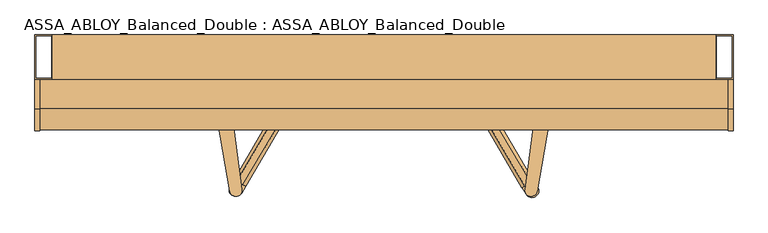
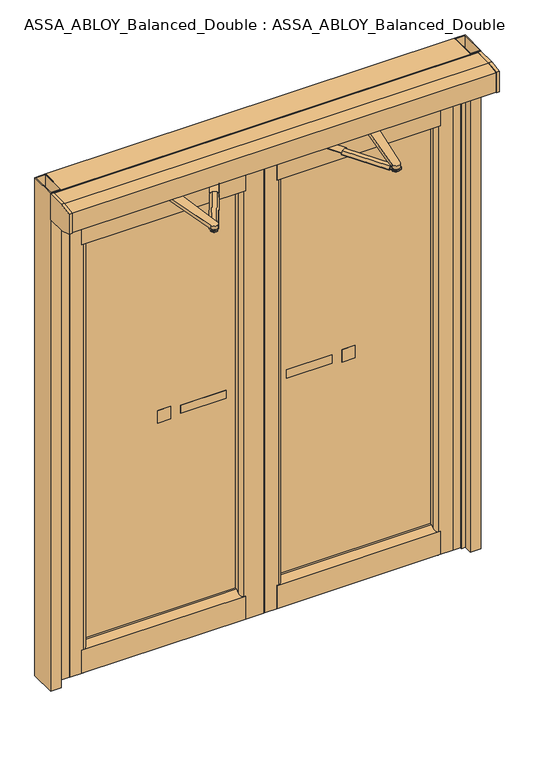
"""IFC4 building model written with IfcOpenShell, lengths in millimetres: door geometry, ASSA_ABLOY_Balanced_Double : ASSA_ABLOY_Balanced_Double."""

from ifc_helpers import new_model, si_unit, point, frame, frame_2d, origin, origin_with_axes, place, context, project, spatial, polyline, circle_curve, trimmed, segment, composite_curve, outline, extrude, source, transform, mapped, element, save
from ifc_brep_helpers import plane_surface, cylinder_surface, spline_surface, advanced_brep


def assa_abloy_balanced_double_assa_abloy_balanced_double_b7edb8cf(model_context):
    return source(origin(), model_context, "Body", "SolidModel", [
        extrude(outline(polyline([(127.3601407, 322.5413603), (317.3601407, 322.5413603), (317.3601407, 314.5412672), (127.3601407, 314.5412672), (127.3601407, 322.5413603)])), frame((0.0, 0.0, 981.5), z_axis=(0.0, 0.0, 1.0), x_axis=(1.0, 0.0, 0.0)), (0.0, 0.0, 1.0), 36.000001),
        extrude(outline(polyline([(357.3601407, 322.5413603), (412.3601407, 322.5413603), (412.3601407, 314.5412672), (357.3601407, 314.5412672), (357.3601407, 322.5413603)])), frame((0.0, 0.0, 972.0), z_axis=(0.0, 0.0, 1.0), x_axis=(1.0, 0.0, 0.0)), (0.0, 0.0, 1.0), 54.9999995),
        extrude(outline(polyline([(-127.3598535, 314.5412672), (-317.3598535, 314.5412672), (-317.3598535, 322.5413603), (-127.3598535, 322.5413603), (-127.3598535, 314.5412672)])), frame((0.0, 0.0, 981.5), z_axis=(0.0, 0.0, 1.0), x_axis=(1.0, 0.0, 0.0)), (0.0, 0.0, 1.0), 35.999999),
        extrude(outline(polyline([(-357.3598593, 314.5412672), (-412.3598593, 314.5412672), (-412.3598593, 322.5413603), (-357.3598593, 322.5413603), (-357.3598593, 314.5412672)])), frame((0.0, 0.0, 972.0), z_axis=(0.0, 0.0, 1.0), x_axis=(1.0, 0.0, 0.0)), (0.0, 0.0, 1.0), 54.9999995),
        extrude(outline(polyline([(-167.0912858, -17.1931385), (-169.0209637, -17.1931385), (-169.0209637, 17.1931385), (-166.9898719, 17.1931385), (-156.4363372, 9.376644), (-156.4363372, -9.1640587), (-167.0912858, -17.1931385)])), frame((-371.8561845, -22.2523867, 2200.0), z_axis=(0.5079579104956806, 0.8613818904323808, 0.0), x_axis=(0.0, 0.0, 1.0)), (0.0, 0.0, 1.0), 199.9164081),
        extrude(outline(polyline([(176.3000687, 276.4714979), (176.3000687, 278.4707945), (240.2996506, 278.4707945), (240.2996506, 276.4714979), (176.3000687, 276.4714979)])), frame((0.0, 0.0, 2026.0), z_axis=(0.0, 0.0, 1.0), x_axis=(1.0, 0.0, 0.0)), (0.0, 0.0, 1.0), 25.0),
        advanced_brep(
        [(419.200849, 217.8320723, 2038.0000229), (428.5607428, 210.3226469, 2038.0000229), (426.7364356, 198.4623243, 2038.0000229), (415.5533973, 194.1108458, 2038.0000229), (406.1935035, 201.6202711, 2038.0000229), (408.016648, 213.4811751, 2038.0000229), (419.960105, 222.7742125, 2043.0000084), (404.116886, 216.6100538, 2043.0000084), (401.5344855, 199.8070097, 2043.0000084), (414.7941413, 189.1687056, 2043.0000084), (430.6373603, 195.3334456, 2043.0000084), (433.2197608, 212.1359083, 2043.0000084)],
        [
            (0, 1),
            (1, 2),
            (2, 3),
            (3, 4),
            (4, 5),
            (5, 0),
            (6, 7),
            (7, 8),
            (8, 9),
            (9, 10),
            (10, 11),
            (11, 6),
            (11, 1),
            (0, 6),
            (10, 2),
            (9, 3),
            (8, 4),
            (7, 5),
        ],
        [
            plane_surface(frame((417.3769294, 205.9715559, 2038.0000229), z_axis=(0.0, 0.0, -1.0000000000000002), x_axis=(-0.1519261271421799, -0.9883918513886981, 0.0))),
            plane_surface(frame((417.3771231, 205.9715559, 2043.0000084), z_axis=(0.0, 0.0, 1.0000000000000002), x_axis=(-0.1519261271421799, -0.9883918513886981, 0.0))),
            spline_surface(1, 1, [[(419.960105, 222.7742125, 2043.0000084), (419.200849, 217.8320723, 2038.0000229)], [(433.2197608, 212.1359083, 2043.0000084), (428.5607428, 210.3226469, 2038.0000229)]], [2, 2], [2, 2], [0.0, 1.0], [0.0, 1.0]),
            spline_surface(1, 1, [[(433.2197608, 212.1359083, 2043.0000084), (428.5607428, 210.3226469, 2038.0000229)], [(430.6373603, 195.3334456, 2043.0000084), (426.7364356, 198.4623243, 2038.0000229)]], [2, 2], [2, 2], [0.0, 1.0], [0.0, 1.0]),
            spline_surface(1, 1, [[(430.6373603, 195.3334456, 2043.0000084), (426.7364356, 198.4623243, 2038.0000229)], [(414.7941413, 189.1687056, 2043.0000084), (415.5533973, 194.1108458, 2038.0000229)]], [2, 2], [2, 2], [0.0, 1.0], [0.0, 1.0]),
            spline_surface(1, 1, [[(414.7941413, 189.1687056, 2043.0000084), (415.5533973, 194.1108458, 2038.0000229)], [(401.5344855, 199.8070097, 2043.0000084), (406.1935035, 201.6202711, 2038.0000229)]], [2, 2], [2, 2], [0.0, 1.0], [0.0, 1.0]),
            spline_surface(1, 1, [[(401.5344855, 199.8070097, 2043.0000084), (406.1935035, 201.6202711, 2038.0000229)], [(404.116886, 216.6100538, 2043.0000084), (408.016648, 213.4811751, 2038.0000229)]], [2, 2], [2, 2], [0.0, 1.0], [0.0, 1.0]),
            spline_surface(1, 1, [[(404.116886, 216.6100538, 2043.0000084), (408.016648, 213.4811751, 2038.0000229)], [(419.960105, 222.7742125, 2043.0000084), (419.200849, 217.8320723, 2038.0000229)]], [2, 2], [2, 2], [0.0, 1.0], [0.0, 1.0]),
        ],
        [
            (0, [[1, 2, 3, 4, 5, 6]]),
            (1, [[7, 8, 9, 10, 11, 12]]),
            (2, [[-12, 13, -1, 14]]),
            (3, [[-11, 15, -2, -13]]),
            (4, [[-10, 16, -3, -15]]),
            (5, [[-9, 17, -4, -16]]),
            (6, [[-8, 18, -5, -17]]),
            (7, [[-7, -14, -6, -18]]),
        ],
    ),
        extrude(outline(polyline([(419.200849, 217.8320723), (428.5607428, 210.3226469), (426.7364356, 198.4623243), (415.5533973, 194.1108458), (406.1935035, 201.6202711), (408.016648, 213.4811751), (419.200849, 217.8320723)])), frame((0.0, 0.0, 2081.9999535), z_axis=(0.0, 0.0, 1.0), x_axis=(1.0, 0.0, 0.0)), (0.0, 0.0, 1.0), 3.0001076),
        extrude(outline(polyline([(414.641825, 188.1803938), (400.6019843, 199.4448225), (403.3367011, 217.2355971), (420.1124213, 223.7625242), (434.152262, 212.4986769), (431.4175452, 194.707321), (414.641825, 188.1803938)])), frame((0.0, 0.0, 2057.0000259), z_axis=(0.0, 0.0, 1.0), x_axis=(1.0, 0.0, 0.0)), (0.0, 0.0, 1.0), 24.9999275),
        advanced_brep(
        [(438.1334143, 202.7806654, 2057.0), (396.558253, 208.6928662, 2057.0), (363.5763832, -38.6943669, 2057.0), (395.2046393, -43.556624, 2057.0), (438.1334143, 202.7806654, 2043.0), (395.2046393, -43.556624, 2043.0), (363.5763832, -38.6943669, 2043.0), (396.5658877, 208.7507468, 2043.0)],
        [
            (0, 1, circle_curve(frame((417.3798287, 205.9758219, 2057.0), z_axis=(0.0, 0.0, 1.0), x_axis=(-0.1733903496522107, -0.9848531802494646, 0.0)), 20.9981033)),
            (1, 2),
            (2, 3, circle_curve(frame((379.4391363, -40.809197, 2057.0), z_axis=(0.0, 0.0, 1.0), x_axis=(-0.1733903496522107, -0.9848531802494646, 0.0)), 16.0031072)),
            (3, 0),
            (4, 5),
            (5, 6, circle_curve(frame((379.4391363, -40.809197, 2043.0), z_axis=(0.0, 0.0, -1.0), x_axis=(-0.1733903496522107, -0.9848531802494646, 0.0)), 16.0031072)),
            (6, 7),
            (7, 4, circle_curve(frame((417.3798287, 205.9758219, 2043.0), z_axis=(0.0, 0.0, -1.0), x_axis=(-0.1733903496522107, -0.9848531802494646, 0.0)), 20.9981033)),
            (0, 4),
            (7, 1),
            (6, 2),
            (5, 3),
        ],
        [
            plane_surface(frame((413.7389602, 185.2957731, 2057.0), z_axis=(0.0, 0.0, 1.0), x_axis=(0.9848531802494644, -0.1733903496522107, 0.0))),
            plane_surface(frame((413.7389602, 185.2957731, 2043.0), z_axis=(0.0, 0.0, -1.0), x_axis=(-0.9848531802494644, 0.1733903496522107, 0.0))),
            cylinder_surface(frame((417.3798287, 205.9758219, 2043.0), z_axis=(0.0, 0.0, 1.0000000000000002), x_axis=(-0.1733903496522107, -0.9848531802494646, 0.0)), 20.9981033),
            plane_surface(frame((396.5658877, 208.7507468, 2057.0), z_axis=(-0.9912295680169352, 0.13215121448159378, 0.0), x_axis=(0.0, 0.0, -1.0))),
            cylinder_surface(frame((379.4391363, -40.809197, 2043.0), z_axis=(0.0, 0.0, 1.0000000000000002), x_axis=(-0.1733903496522107, -0.9848531802494646, 0.0)), 16.0031072),
            plane_surface(frame((395.2046393, -43.556624, 2057.0), z_axis=(0.9851526205497636, -0.17168084990450644, 0.0), x_axis=(0.0, 0.0, -1.0))),
        ],
        [
            (0, [[1, 2, 3, 4]]),
            (1, [[5, 6, 7, 8]]),
            (2, [[-1, 9, -8, 10]]),
            (3, [[-2, -10, -7, 11]]),
            (4, [[-3, -11, -6, 12]]),
            (5, [[-4, -12, -5, -9]]),
        ],
    ),
        extrude(outline(polyline([(364.8913733, -41.2590898), (372.0258216, -28.6354418), (386.5249366, -28.5023104), (393.8896033, -40.9922457), (386.7563178, -53.6158937), (372.2560401, -53.7490251), (364.8913733, -41.2590898)])), frame((0.0, 0.0, 2028.9999908), z_axis=(0.0, 0.0, 1.0), x_axis=(1.0, 0.0, 0.0)), (0.0, 0.0, 1.0), 19.0000031),
        extrude(outline(polyline([(-166.9750593, 16.0761379), (-156.4408619, 8.2400974), (-156.4408619, -10.3523105), (-167.0051961, -18.3131074), (-169.0004852, -18.3131074), (-169.0004852, 16.0761379), (-166.9750593, 16.0761379)])), frame((371.4594409, -25.0553376, 2200.0), z_axis=(-0.5079298998646433, 0.8613984077205468, 0.0), x_axis=(0.0, 0.0, 1.0)), (0.0, 0.0, 1.0), 200.0782595),
        extrude(outline(composite_curve([segment(trimmed(circle_curve(frame_2d((207.8270033, 252.3585271)), 17.4996257), [point((192.7528535, 243.4699439))], [point((222.901153, 261.2471102))], False, "CARTESIAN"), True, "CONTINUOUS"), segment(polyline([(222.901153, 261.2471102), (284.8683009, 156.1570132), (254.7200014, 138.3798469), (192.7528535, 243.4699439)]), True, "CONTINUOUS")], self_intersect=False)), frame((0.0, 0.0, 2036.5), z_axis=(0.0, 0.0, 1.0), x_axis=(1.0, 0.0, 0.0)), (0.0, 0.0, 1.0), 4.0),
        extrude(outline(composite_curve([segment(polyline([(386.612058, -16.2115029), (396.6148286, -33.3497872)]), True, "CONTINUOUS"), segment(trimmed(circle_curve(frame_2d((381.4622116, -42.1936219)), 17.5446635), [point((396.6148286, -33.3497872))], [point((366.3095945, -51.0374566))], False, "CARTESIAN"), True, "CONTINUOUS"), segment(polyline([(366.3095945, -51.0374566), (356.3068239, -33.8991723), (386.612058, -16.2115029)]), True, "CONTINUOUS")], self_intersect=False)), frame((0.0, 0.0, 2036.5), z_axis=(0.0, 0.0, 1.0), x_axis=(1.0, 0.0, 0.0)), (0.0, 0.0, 1.0), 4.0),
        advanced_brep(
        [(-421.8233871, 217.8320723, 2038.0000229), (-410.6403488, 213.4811751, 2038.0000229), (-408.8160416, 201.6202711, 2038.0000229), (-418.1770981, 194.1108458, 2038.0000229), (-429.3601364, 198.4623243, 2038.0000229), (-431.1832809, 210.3226469, 2038.0000229), (-422.5826431, 222.7742125, 2043.0000084), (-435.8434616, 212.1359083, 2043.0000084), (-433.2598984, 195.3334456, 2043.0000084), (-417.4166794, 189.1687056, 2043.0000084), (-404.1570236, 199.8070097, 2043.0000084), (-406.7394241, 216.6100538, 2043.0000084)],
        [
            (0, 1),
            (1, 2),
            (2, 3),
            (3, 4),
            (4, 5),
            (5, 0),
            (6, 7),
            (7, 8),
            (8, 9),
            (9, 10),
            (10, 11),
            (11, 6),
            (11, 1),
            (0, 6),
            (10, 2),
            (9, 3),
            (8, 4),
            (7, 5),
        ],
        [
            plane_surface(frame((-420.0000488, 205.9715559, 2038.0000229), z_axis=(0.0, 0.0, -1.0), x_axis=(0.1519334022358431, -0.9883907331035847, 0.0))),
            plane_surface(frame((-419.999855, 205.9715559, 2043.0000084), z_axis=(0.0, 0.0, 1.0), x_axis=(0.1519334022358431, -0.9883907331035847, 0.0))),
            spline_surface(1, 1, [[(-422.5826431, 222.7742125, 2043.0000084), (-421.8233871, 217.8320723, 2038.0000229)], [(-406.7394241, 216.6100538, 2043.0000084), (-410.6403488, 213.4811751, 2038.0000229)]], [2, 2], [2, 2], [0.0, 1.0], [0.0, 1.0]),
            spline_surface(1, 1, [[(-406.7394241, 216.6100538, 2043.0000084), (-410.6403488, 213.4811751, 2038.0000229)], [(-404.1570236, 199.8070097, 2043.0000084), (-408.8160416, 201.6202711, 2038.0000229)]], [2, 2], [2, 2], [0.0, 1.0], [0.0, 1.0]),
            spline_surface(1, 1, [[(-404.1570236, 199.8070097, 2043.0000084), (-408.8160416, 201.6202711, 2038.0000229)], [(-417.4166794, 189.1687056, 2043.0000084), (-418.1770981, 194.1108458, 2038.0000229)]], [2, 2], [2, 2], [0.0, 1.0], [0.0, 1.0]),
            spline_surface(1, 1, [[(-417.4166794, 189.1687056, 2043.0000084), (-418.1770981, 194.1108458, 2038.0000229)], [(-433.2598984, 195.3334456, 2043.0000084), (-429.3601364, 198.4623243, 2038.0000229)]], [2, 2], [2, 2], [0.0, 1.0], [0.0, 1.0]),
            spline_surface(1, 1, [[(-433.2598984, 195.3334456, 2043.0000084), (-429.3601364, 198.4623243, 2038.0000229)], [(-435.8434616, 212.1359083, 2043.0000084), (-431.1832809, 210.3226469, 2038.0000229)]], [2, 2], [2, 2], [0.0, 1.0], [0.0, 1.0]),
            spline_surface(1, 1, [[(-435.8434616, 212.1359083, 2043.0000084), (-431.1832809, 210.3226469, 2038.0000229)], [(-422.5826431, 222.7742125, 2043.0000084), (-421.8233871, 217.8320723, 2038.0000229)]], [2, 2], [2, 2], [0.0, 1.0], [0.0, 1.0]),
        ],
        [
            (0, [[1, 2, 3, 4, 5, 6]]),
            (1, [[7, 8, 9, 10, 11, 12]]),
            (2, [[-12, 13, -1, 14]]),
            (3, [[-11, 15, -2, -13]]),
            (4, [[-10, 16, -3, -15]]),
            (5, [[-9, 17, -4, -16]]),
            (6, [[-8, 18, -5, -17]]),
            (7, [[-7, -14, -6, -18]]),
        ],
    ),
        extrude(outline(polyline([(-421.8233871, 217.8320723), (-410.6403488, 213.4811751), (-408.8160416, 201.6202711), (-418.1770981, 194.1108458), (-429.3601364, 198.4623243), (-431.1832809, 210.3226469), (-421.8233871, 217.8320723)])), frame((0.0, 0.0, 2081.9999535), z_axis=(0.0, 0.0, 1.0), x_axis=(1.0, 0.0, 0.0)), (0.0, 0.0, 1.0), 3.0001076),
        extrude(outline(polyline([(-436.7748001, 212.4986769), (-422.7349594, 223.7625242), (-405.9604019, 217.2355971), (-403.2245224, 199.4448225), (-417.2643631, 188.1803938), (-434.0400833, 194.707321), (-436.7748001, 212.4986769)])), frame((0.0, 0.0, 2057.0000259), z_axis=(0.0, 0.0, 1.0), x_axis=(1.0, 0.0, 0.0)), (0.0, 0.0, 1.0), 24.9999275),
        extrude(outline(composite_curve([segment(polyline([(-356.7143409, -30.9853319), (-366.8478603, -48.3476351)]), True, "CONTINUOUS"), segment(trimmed(circle_curve(frame_2d((-381.9619033, -39.5263141)), 17.5), [point((-366.8478603, -48.3476351))], [point((-397.0759463, -30.7049932))], False, "CARTESIAN"), True, "CONTINUOUS"), segment(polyline([(-397.0759463, -30.7049932), (-386.9424269, -13.34269), (-356.7143409, -30.9853319)]), True, "CONTINUOUS")], self_intersect=False)), frame((0.0, 0.0, 2036.4999691), z_axis=(0.0, 0.0, 1.0), x_axis=(1.0, 0.0, 0.0)), (0.0, 0.0, 1.0), 4.0000465),
        extrude(outline(composite_curve([segment(polyline([(-193.2452886, 246.2536152), (-255.2161538, 141.1650244), (-285.3537097, 158.9371765), (-223.3938699, 264.0303037)]), True, "CONTINUOUS"), segment(trimmed(circle_curve(frame_2d((-208.3191494, 255.1426886)), 17.4996258), [point((-223.3938699, 264.0303037))], [point((-193.2452886, 246.2536152))], False, "CARTESIAN"), True, "CONTINUOUS")], self_intersect=False)), frame((0.0, 0.0, 2036.4999691), z_axis=(0.0, 0.0, 1.0), x_axis=(1.0, 0.0, 0.0)), (0.0, 0.0, 1.0), 4.0000465),
        extrude(outline(polyline([(-389.1481389, -28.5024017), (-374.6490243, -28.6355744), (-367.514612, -41.2592427), (-374.880477, -53.7491571), (-389.3795916, -53.6159844), (-396.5140039, -40.9923161), (-389.1481389, -28.5024017)])), frame((0.0, 0.0, 2028.9999908), z_axis=(0.0, 0.0, 1.0), x_axis=(1.0, 0.0, 0.0)), (0.0, 0.0, 1.0), 19.0000031),
        extrude(outline(composite_curve([segment(polyline([(-399.2097789, 208.9103154), (-366.1995687, -38.6948681)]), True, "CONTINUOUS"), segment(trimmed(circle_curve(frame_2d((-382.062888, -40.809733)), 16.0036731), [point((-366.1995687, -38.6948681))], [point((-397.8290472, -43.5566907))], False, "CARTESIAN"), True, "CONTINUOUS"), segment(polyline([(-397.8290472, -43.5566907), (-440.7953731, 203.0484672)]), True, "CONTINUOUS"), segment(trimmed(circle_curve(frame_2d((-420.0016313, 205.9726892)), 20.9983517), [point((-440.7953731, 203.0484672))], [point((-399.2097789, 208.9103154))], False, "CARTESIAN"), True, "CONTINUOUS")], self_intersect=False)), frame((0.0, 0.0, 2043.0000084), z_axis=(0.0, 0.0, 1.0), x_axis=(1.0, 0.0, 0.0)), (0.0, 0.0, 1.0), 14.0000175),
        extrude(outline(polyline([(193.8001633, 253.3386076), (201.0285484, 266.127878), (215.4157319, 266.127878), (222.799556, 253.6048704), (215.5895344, 240.848091), (201.16483, 240.848091), (193.8001633, 253.3386076)])), frame((0.0, 0.0, 2029.0), z_axis=(0.0, 0.0, 1.0), x_axis=(1.0, 0.0, 0.0)), (0.0, 0.0, 1.0), 19.0),
        extrude(outline(polyline([(200.799736, 253.4025572), (204.4902084, 259.9318098), (212.0305389, 259.9318098), (215.7988205, 253.5403395), (212.0704201, 246.941905), (204.6099686, 246.941905), (200.799736, 253.4025572)])), frame((0.0, 0.0, 2026.0), z_axis=(0.0, 0.0, 1.0), x_axis=(1.0, 0.0, 0.0)), (0.0, 0.0, 1.0), 3.0),
        extrude(outline(polyline([(200.799736, 253.4025572), (204.4902084, 259.9318098), (212.0293886, 259.9318098), (215.7986893, 253.5405621), (212.068988, 246.941905), (204.6099686, 246.941905), (200.799736, 253.4025572)])), frame((0.0, 0.0, 2048.0), z_axis=(0.0, 0.0, 1.0), x_axis=(1.0, 0.0, 0.0)), (0.0, 0.0, 1.0), 3.0),
        extrude(outline(composite_curve([segment(polyline([(240.2996506, 272.4717421), (220.9147873, 247.6250029)]), True, "CONTINUOUS"), segment(trimmed(circle_curve(frame_2d((208.2998596, 257.4668838)), 15.9999694), [point((220.9147873, 247.6250029))], [point((195.6849319, 247.6250029))], False, "CARTESIAN"), True, "CONTINUOUS"), segment(polyline([(195.6849319, 247.6250029), (176.3000687, 272.4717421), (176.3000687, 278.4707945), (240.2996506, 278.4707945), (240.2996506, 272.4717421)]), True, "CONTINUOUS")], self_intersect=False)), frame((0.0, 0.0, 2024.0), z_axis=(0.0, 0.0, 1.0), x_axis=(1.0, 0.0, 0.0)), (0.0, 0.0, 1.0), 2.0),
        extrude(outline(composite_curve([segment(polyline([(240.2996506, 278.4707945), (240.2996506, 272.4717421), (220.9147873, 247.6250029)]), True, "CONTINUOUS"), segment(trimmed(circle_curve(frame_2d((208.2998596, 257.4668838)), 15.9999694), [point((220.9147873, 247.6250029))], [point((195.6849319, 247.6250029))], False, "CARTESIAN"), True, "CONTINUOUS"), segment(polyline([(195.6849319, 247.6250029), (176.3000687, 272.4717421), (176.3000687, 278.4707945), (240.2996506, 278.4707945)]), True, "CONTINUOUS")], self_intersect=False)), frame((0.0, 0.0, 2051.0), z_axis=(0.0, 0.0, 1.0), x_axis=(1.0, 0.0, 0.0)), (0.0, 0.0, 1.0), 2.0),
        extrude(outline(polyline([(-200.8716344, 266.0948057), (-193.8007584, 253.3386076), (-201.1665878, 240.848091), (-215.701681, 240.848091), (-222.8001511, 253.6048704), (-215.4346644, 266.0948057), (-200.8716344, 266.0948057)])), frame((0.0, 0.0, 2028.9999908), z_axis=(0.0, 0.0, 1.0), x_axis=(1.0, 0.0, 0.0)), (0.0, 0.0, 1.0), 19.0000092),
        extrude(outline(polyline([(-215.8005783, 253.5403395), (-211.9903458, 260.0009916), (-204.4579031, 260.0009916), (-200.8003311, 253.4025572), (-204.6105637, 246.941905), (-212.1430064, 246.941905), (-215.8005783, 253.5403395)])), frame((0.0, 0.0, 2026.0000286), z_axis=(0.0, 0.0, 1.0), x_axis=(1.0, 0.0, 0.0)), (0.0, 0.0, 1.0), 2.9999622),
        extrude(outline(polyline([(-211.9903458, 260.0009916), (-204.4579031, 260.0009916), (-200.8003311, 253.4025572), (-204.6105637, 246.941905), (-212.1430064, 246.941905), (-215.8005783, 253.5403395), (-211.9903458, 260.0009916)])), frame((0.0, 0.0, 2048.0), z_axis=(0.0, 0.0, 1.0), x_axis=(1.0, 0.0, 0.0)), (0.0, 0.0, 1.0), 2.9999561),
        extrude(outline(polyline([(-240.3002457, 276.4714979), (-240.3002457, 278.4707945), (-176.3006638, 278.4707945), (-176.3006638, 276.4714979), (-240.3002457, 276.4714979)])), frame((0.0, 0.0, 2026.0000286), z_axis=(0.0, 0.0, 1.0), x_axis=(1.0, 0.0, 0.0)), (0.0, 0.0, 1.0), 24.9999275),
        extrude(outline(composite_curve([segment(polyline([(-176.3006638, 272.4717421), (-195.685527, 247.6250029)]), True, "CONTINUOUS"), segment(trimmed(circle_curve(frame_2d((-208.3004547, 257.4668838)), 15.9999694), [point((-195.685527, 247.6250029))], [point((-220.9153824, 247.6250029))], False, "CARTESIAN"), True, "CONTINUOUS"), segment(polyline([(-220.9153824, 247.6250029), (-240.3002457, 272.4717421), (-240.3002457, 278.4707945), (-176.3006638, 278.4707945), (-176.3006638, 272.4717421)]), True, "CONTINUOUS")], self_intersect=False)), frame((0.0, 0.0, 2024.0000053), z_axis=(0.0, 0.0, 1.0), x_axis=(1.0, 0.0, 0.0)), (0.0, 0.0, 1.0), 2.0000233),
        extrude(outline(composite_curve([segment(polyline([(-176.3006638, 272.4717421), (-195.685527, 247.6250029)]), True, "CONTINUOUS"), segment(trimmed(circle_curve(frame_2d((-208.3004547, 257.4668838)), 15.9999694), [point((-195.685527, 247.6250029))], [point((-220.9153824, 247.6250029))], False, "CARTESIAN"), True, "CONTINUOUS"), segment(polyline([(-220.9153824, 247.6250029), (-240.3002457, 272.4717421), (-240.3002457, 278.4707945), (-176.3006638, 278.4707945), (-176.3006638, 272.4717421)]), True, "CONTINUOUS")], self_intersect=False)), frame((0.0, 0.0, 2050.9999561), z_axis=(0.0, 0.0, 1.0), x_axis=(1.0, 0.0, 0.0)), (0.0, 0.0, 1.0), 2.0001686),
        extrude(outline(polyline([(-728.0035355, 314.5412672), (-728.0035355, 322.5413603), (-87.3589188, 322.5413603), (-87.3589188, 314.5412672), (-728.0035355, 314.5412672)])), frame((0.0, 0.0, 129.560006), z_axis=(0.0, 0.0, 1.0), x_axis=(1.0, 0.0, 0.0)), (0.0, 0.0, 1.0), 1748.4400446),
        extrude(outline(polyline([(306.5353605, 1878.0007774), (278.4707945, 1899.6057202), (278.4707945, 2052.9999794), (326.4725157, 2052.9999794), (326.4725157, 1878.0007774), (306.5353605, 1878.0007774)])), frame((-750.0035355, 0.0, 0.0), z_axis=(1.0, 0.0, 0.0), x_axis=(0.0, 1.0, 0.0)), (0.0, 0.0, 1.0), 684.6446167),
        extrude(outline(polyline([(278.4707162, 107.9543002), (306.5363206, 129.560006), (326.4712747, 129.560006), (326.4712747, 6.5600011), (278.4707162, 6.5600011), (278.4707162, 107.9543002)])), frame((-750.0035355, 0.0, 0.0), z_axis=(1.0, 0.0, 0.0), x_axis=(0.0, 1.0, 0.0)), (0.0, 0.0, 1.0), 684.6446167),
        extrude(outline(composite_curve([segment(polyline([(-87.3589188, 326.4725157), (-13.3599472, 326.4725157), (-13.3599472, 318.4712599), (-5.7697128, 318.4712599), (-5.7697128, 280.4712538), (8.7596329, 280.4712538), (8.7596329, 278.4713759), (-72.3589188, 278.4713759)]), True, "CONTINUOUS"), segment(trimmed(circle_curve(frame_2d((-72.3589188, 293.4713759)), 15.0), [point((-72.3589188, 278.4713759))], [point((-87.3589188, 293.4713759))], False, "CARTESIAN"), True, "CONTINUOUS"), segment(polyline([(-87.3589188, 293.4713759), (-87.3589188, 326.4725157)]), True, "CONTINUOUS")], self_intersect=False)), frame((0.0, 0.0, 6.5600011), z_axis=(0.0, 0.0, 1.0), x_axis=(1.0, 0.0, 0.0)), (0.0, 0.0, 1.0), 2046.4399783),
        extrude(outline(composite_curve([segment(polyline([(-820.0002457, 305.4912382), (-820.0002457, 324.9714445), (-802.0001816, 324.9714445), (-802.0001816, 326.471353), (-728.0035355, 326.471353), (-728.0035355, 293.4707945)]), True, "CONTINUOUS"), segment(trimmed(circle_curve(frame_2d((-743.0035355, 293.4707945)), 15.0), [point((-728.0035355, 293.4707945))], [point((-743.0035355, 278.4707945))], False, "CARTESIAN"), True, "CONTINUOUS"), segment(polyline([(-743.0035355, 278.4707945), (-802.0001816, 278.4707945), (-802.0001816, 279.9712843), (-832.9994522, 279.9712843), (-832.9994522, 299.8973936), (-820.0002457, 305.4912382)]), True, "CONTINUOUS")], self_intersect=False)), frame((0.0, 0.0, 6.5600011), z_axis=(0.0, 0.0, 1.0), x_axis=(1.0, 0.0, 0.0)), (0.0, 0.0, 1.0), 2046.4399783),
        extrude(outline(polyline([(728.0006149, 322.5413603), (728.0006149, 314.5412672), (87.3594864, 314.5412672), (87.3594864, 322.5413603), (728.0006149, 322.5413603)])), frame((0.0, 0.0, 129.560006), z_axis=(0.0, 0.0, 1.0), x_axis=(1.0, 0.0, 0.0)), (0.0, 0.0, 1.0), 1748.4400446),
        extrude(outline(polyline([(306.5353605, 1878.0000507), (278.4707945, 1899.6049935), (278.4707945, 2052.9999794), (326.4725157, 2052.9999794), (326.4725157, 1878.0000507), (306.5353605, 1878.0000507)])), frame((65.3643173, 0.0, 0.0), z_axis=(1.0, 0.0, 0.0), x_axis=(0.0, 1.0, 0.0)), (0.0, 0.0, 1.0), 684.6362976),
        extrude(outline(polyline([(326.471353, 6.5600011), (278.4707945, 6.5600011), (278.4707945, 107.9543002), (306.5363989, 129.560006), (326.471353, 129.560006), (326.471353, 6.5600011)])), frame((64.9841568, 0.0, 0.0), z_axis=(1.0, 0.0, 0.0), x_axis=(0.0, 1.0, 0.0)), (0.0, 0.0, 1.0), 685.0164581),
        extrude(outline(composite_curve([segment(polyline([(5.7702805, 324.471475), (-8.7590652, 324.471475), (-8.7590652, 326.471353), (87.3594864, 326.471353), (87.3594864, 293.4707945)]), True, "CONTINUOUS"), segment(trimmed(circle_curve(frame_2d((72.3594864, 293.4707945)), 15.0), [point((87.3594864, 293.4707945))], [point((72.3594864, 278.4707945))], False, "CARTESIAN"), True, "CONTINUOUS"), segment(polyline([(72.3594864, 278.4707945), (13.3605148, 278.4707945), (13.3605148, 286.4714689), (5.7702805, 286.4714689), (5.7702805, 324.471475)]), True, "CONTINUOUS")], self_intersect=False)), frame((0.0, 0.0, 6.5600011), z_axis=(0.0, 0.0, 1.0), x_axis=(1.0, 0.0, 0.0)), (0.0, 0.0, 1.0), 2046.4399783),
        extrude(outline(composite_curve([segment(polyline([(819.9996506, 305.4912382), (833.0000198, 299.8973936), (833.0000198, 279.9712843), (801.9995865, 279.9712843), (801.9995865, 278.4713759), (743.0007826, 278.4707162)]), True, "CONTINUOUS"), segment(trimmed(circle_curve(frame_2d((743.0006149, 293.4707162)), 15.0), [point((743.0007826, 278.4707162))], [point((728.0006149, 293.4707162))], False, "CARTESIAN"), True, "CONTINUOUS"), segment(polyline([(728.0006149, 293.4707162), (728.0006149, 326.4725157), (801.9995865, 326.4725157), (801.9995865, 324.9714445), (819.9996506, 324.9714445), (819.9996506, 305.4912382)]), True, "CONTINUOUS")], self_intersect=False)), frame((0.0, 0.0, 6.5600011), z_axis=(0.0, 0.0, 1.0), x_axis=(1.0, 0.0, 0.0)), (0.0, 0.0, 1.0), 2046.4399783),
        extrude(outline(polyline([(245.4716459, 2197.0002014), (245.4716459, 2083.0000378), (159.4716627, 2083.0000378), (112.4716246, 2099.6105064), (112.4716246, 2188.4780472), (168.4716948, 2197.0002014), (245.4716459, 2197.0002014)])), frame((-900.0, 0.0, 0.0), z_axis=(1.0, 0.0, 0.0), x_axis=(0.0, 1.0, 0.0)), (0.0, 0.0, 1.0), 13.0003555),
        extrude(outline(polyline([(168.4716948, 2197.0002014), (245.4716459, 2197.0002014), (245.4716459, 2083.0000378), (159.4716627, 2083.0000378), (112.4716246, 2099.6105064), (112.4716246, 2188.4780472), (168.4716948, 2197.0002014)])), frame((887.0002121, 0.0, 0.0), z_axis=(1.0, 0.0, 0.0), x_axis=(0.0, 1.0, 0.0)), (0.0, 0.0, 1.0), 12.9997879),
        extrude(outline(polyline([(168.4716948, 2195.0000328), (245.4716459, 2195.0000328), (245.4716459, 2085.000061), (159.4716627, 2085.000061), (114.4715025, 2100.5741104), (114.4715025, 2186.9999397), (168.4716948, 2195.0000328)])), frame((-886.9996445, 0.0, 0.0), z_axis=(1.0, 0.0, 0.0), x_axis=(0.0, 1.0, 0.0)), (0.0, 0.0, 1.0), 1773.9998566),
        extrude(outline(polyline([(359.4716643, 2199.999873), (359.4716643, 2059.9998611), (245.4591276, 2059.9998611), (245.4591276, 2199.999873), (359.4716643, 2199.999873)]), holes=[polyline([(356.471266, 2062.9999504), (356.471266, 2196.9999107), (248.4589445, 2196.9999107), (248.4589445, 2062.9999504), (356.471266, 2062.9999504)])]), frame((-855.0004349, 0.0, 0.0), z_axis=(1.0, 0.0, 0.0), x_axis=(0.0, 1.0, 0.0)), (0.0, 0.0, 1.0), 1710.0002747),
        extrude(outline(polyline([(-824.0000015, 324.9714445), (-824.0000015, 305.0453352), (-837.0003708, 299.4514906), (-837.0003708, 279.9712843), (-855.0004349, 279.9712843), (-855.0004349, 324.9714445), (-824.0000015, 324.9714445)])), origin_with_axes(), (0.0, 0.0, 1.0), 2059.9999882),
        extrude(outline(polyline([(824.0005692, 324.9714445), (854.9998398, 324.9714445), (854.9998398, 279.9712843), (836.9997757, 279.9712843), (836.9997757, 299.4514906), (824.0005692, 305.0453352), (824.0005692, 324.9714445)])), origin_with_axes(), (0.0, 0.0, 1.0), 2059.9999882),
        extrude(outline(polyline([(-900.0, 245.4716459), (-900.0, 359.4716643), (-855.0004349, 359.4716643), (-855.0004349, 245.4716459), (-900.0, 245.4716459)]), holes=[polyline([(-896.5002274, 355.9718779), (-896.5002274, 248.9720137), (-858.5002213, 248.9720137), (-858.5002213, 355.9718779), (-896.5002274, 355.9718779)])]), origin_with_axes(), (0.0, 0.0, 1.0), 2200.0),
        extrude(outline(polyline([(900.0, 359.4716643), (900.0, 245.4716459), (854.9998398, 245.4716459), (854.9998398, 359.4716643), (900.0, 359.4716643)]), holes=[polyline([(858.4996262, 355.9718779), (858.4996262, 248.9720137), (896.5002136, 248.9720137), (896.5002136, 355.9718779), (858.4996262, 355.9718779)])]), origin_with_axes(), (0.0, 0.0, 1.0), 2200.0),
    ])


if __name__ == "__main__":
    model = new_model("IFC4")
    model_context = context("Model", 3, world=origin())
    ifc_project = project(units=[si_unit("LENGTHUNIT", "METRE", prefix="MILLI")], contexts=[model_context])
    site = spatial("IfcSite", under=ifc_project)
    building = spatial("IfcBuilding", under=site)
    placement = place(None, origin())
    assa_abloy_balanced_double_assa_abloy_balanced_double_shape = assa_abloy_balanced_double_assa_abloy_balanced_double_b7edb8cf(model_context)
    element("IfcDoor", 1, ObjectType="ASSA_ABLOY_Balanced_Double : ASSA_ABLOY_Balanced_Double", at=placement, inside=building, context=model_context, shape_type="MappedRepresentation", body=[
        mapped(assa_abloy_balanced_double_assa_abloy_balanced_double_shape, transform((0.0, 0.0, 0.0), x_axis=(1.0, 0.0, 0.0), y_axis=(0.0, 1.0, 0.0), z_axis=(0.0, 0.0, 1.0))),
    ])
    save(model, "model.ifc")
